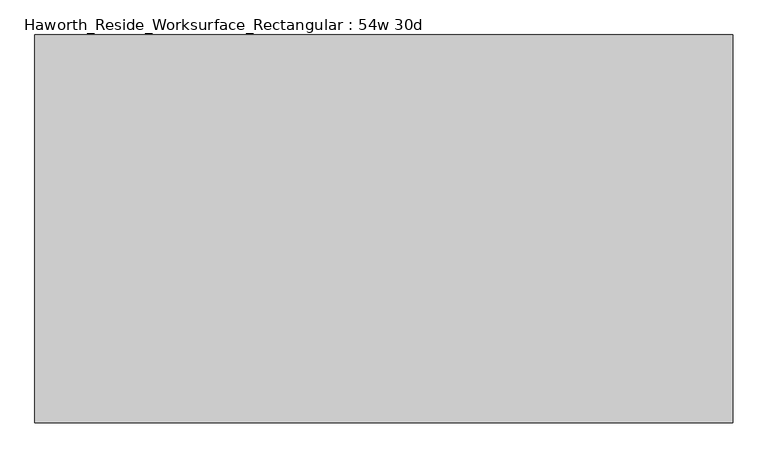
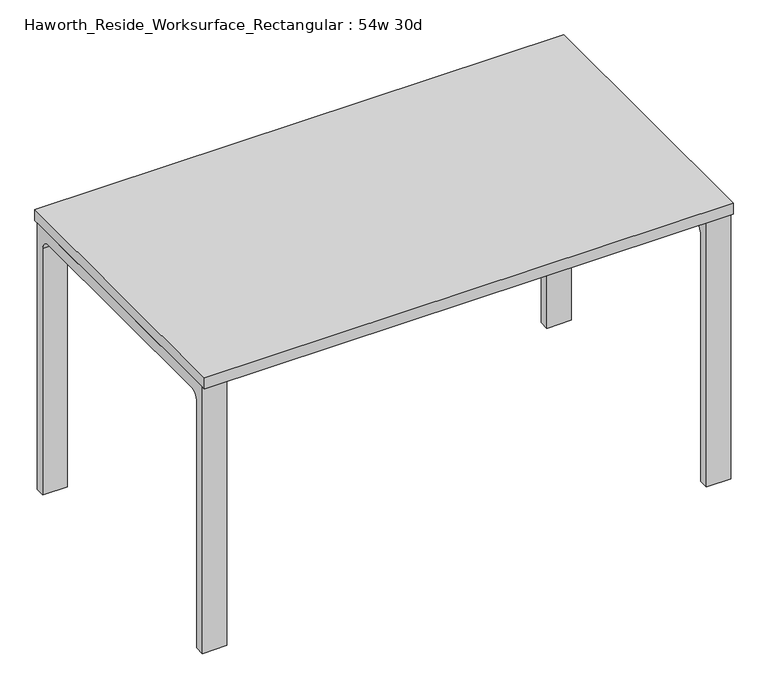
"""IFC4 building model written with IfcOpenShell, lengths in millimetres: furniture geometry, Haworth_Reside_Worksurface_Rectangular : 54w 30d."""

from ifc_helpers import new_model, si_unit, point, frame, frame_2d, origin, place, context, project, spatial, polyline, circle_curve, trimmed, segment, composite_curve, outline, extrude, source, transform, mapped, element, save


def haworth_reside_worksurface_rectangular_54w_30d_e66bf49d(model_context):
    return source(origin(), model_context, "Body", "SweptSolid", [
        extrude(outline(composite_curve([segment(trimmed(circle_curve(frame_2d((320.675, 676.275)), 25.4), [point((346.075, 676.275))], [point((320.675, 701.675))], True, "CARTESIAN"), True, "CONTINUOUS"), segment(polyline([(320.675, 701.675), (-320.675, 701.675)]), True, "CONTINUOUS"), segment(trimmed(circle_curve(frame_2d((-320.675, 676.275)), 25.4), [point((-320.675, 701.675))], [point((-346.075, 676.275))], True, "CARTESIAN"), True, "CONTINUOUS"), segment(polyline([(-346.075, 676.275), (-346.075, 0.0), (-371.475, 0.0), (-371.475, 731.8375), (371.475, 731.8375), (371.475, 0.0), (346.075, 0.0), (346.075, 676.275)]), True, "CONTINUOUS")], self_intersect=False)), frame((622.3, 0.0, 0.0), z_axis=(1.0, 0.0, 0.0), x_axis=(0.0, 1.0, 0.0)), (0.0, 0.0, 1.0), 63.5),
        extrude(outline(composite_curve([segment(trimmed(circle_curve(frame_2d((320.675, 676.275)), 25.4), [point((346.075, 676.275))], [point((320.675, 701.675))], True, "CARTESIAN"), True, "CONTINUOUS"), segment(polyline([(320.675, 701.675), (-320.675, 701.675)]), True, "CONTINUOUS"), segment(trimmed(circle_curve(frame_2d((-320.675, 676.275)), 25.4), [point((-320.675, 701.675))], [point((-346.075, 676.275))], True, "CARTESIAN"), True, "CONTINUOUS"), segment(polyline([(-346.075, 676.275), (-346.075, 0.0), (-371.475, 0.0), (-371.475, 731.8375), (371.475, 731.8375), (371.475, 0.0), (346.075, 0.0), (346.075, 676.275)]), True, "CONTINUOUS")], self_intersect=False)), frame((-685.8, 0.0, 0.0), z_axis=(1.0, 0.0, 0.0), x_axis=(0.0, 1.0, 0.0)), (0.0, 0.0, 1.0), 63.5),
        extrude(outline(polyline([(685.8, 381.0), (685.8, -381.0), (-685.8, -381.0), (-685.8, 381.0), (685.8, 381.0)])), frame((0.0, 0.0, 731.8375), z_axis=(0.0, 0.0, 1.0), x_axis=(1.0, 0.0, 0.0)), (0.0, 0.0, 1.0), 30.1625),
    ])


if __name__ == "__main__":
    model = new_model("IFC4")
    model_context = context("Model", 3, world=origin())
    ifc_project = project(units=[si_unit("LENGTHUNIT", "METRE", prefix="MILLI")], contexts=[model_context])
    site = spatial("IfcSite", under=ifc_project)
    building = spatial("IfcBuilding", under=site)
    placement = place(None, origin())
    haworth_reside_worksurface_rectangular_54w_30d_shape = haworth_reside_worksurface_rectangular_54w_30d_e66bf49d(model_context)
    element("IfcFurniture", 1, ObjectType="Haworth_Reside_Worksurface_Rectangular : 54w 30d", at=placement, inside=building, context=model_context, shape_type="MappedRepresentation", body=[
        mapped(haworth_reside_worksurface_rectangular_54w_30d_shape, transform((0.0, 0.0, 0.0), x_axis=(1.0, 0.0, 0.0), y_axis=(0.0, 1.0, 0.0), z_axis=(0.0, 0.0, 1.0))),
    ])
    save(model, "model.ifc")
